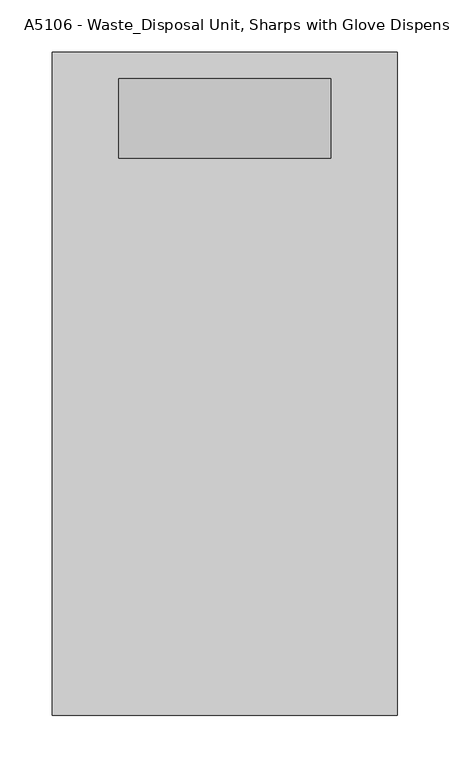
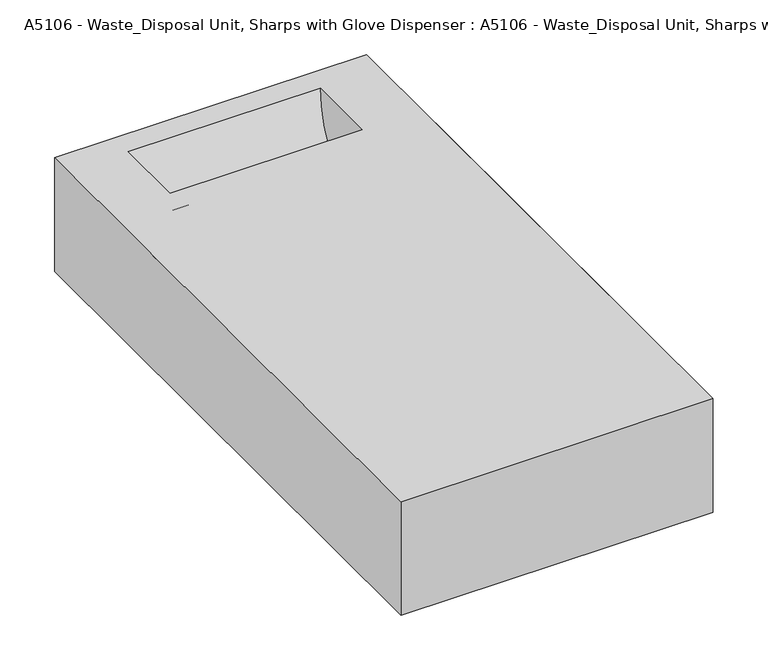
"""IFC4 building model written with IfcOpenShell, lengths in millimetres: proxy geometry, A5106 - Waste_Disposal Unit, Sharps with Glove Dispenser : A5106 - Waste_Disposal Unit, Sharps with Glove Dispenser."""

from ifc_helpers import new_model, si_unit, frame, origin, origin_with_axes, place, context, project, spatial, polyline, circle_curve, outline, extrude, source, transform, mapped, element, save
from ifc_brep_helpers import plane_surface, cylinder_surface, revolved_surface, advanced_brep


def a5106_waste_disposal_unit_sharps_with_glove_dispenser_a5106_42bc5ef0(model_context):
    return source(origin(), model_context, "Body", "SolidModel", [
        advanced_brep(
        [(101.6, 533.4, 127.0), (101.6, 457.2, 25.4), (101.6, 457.2, 127.0), (-101.6, 457.2, 127.0), (-101.6, 457.2, 25.4), (-101.6, 533.4, 127.0), (165.1, 558.8, 127.0), (-165.1, 558.8, 127.0), (-165.1, -76.2, 127.0), (165.1, -76.2, 127.0), (165.1, 558.8, 0.0), (165.1, -76.2, 0.0), (-165.1, -76.2, 0.0), (-165.1, 558.8, 0.0)],
        [
            (0, 1, circle_curve(frame((101.6, 428.5291538, 126.2781346), z_axis=(-1.0, 0.0, 0.0), x_axis=(0.0, 1.0, 0.0)), 104.8733306)),
            (1, 2),
            (2, 0),
            (3, 4),
            (4, 5, circle_curve(frame((-101.6, 428.5291538, 126.2781346), z_axis=(1.0, 0.0, 0.0), x_axis=(0.0, 1.0, 0.0)), 104.8733306)),
            (5, 3),
            (1, 4),
            (3, 2),
            (0, 5),
            (6, 7),
            (7, 8),
            (8, 9),
            (9, 6),
            (10, 11),
            (11, 12),
            (12, 13),
            (13, 10),
            (6, 10),
            (13, 7),
            (12, 8),
            (11, 9),
        ],
        [
            plane_surface(frame((101.6, 457.2, 127.0), z_axis=(-1.0, 0.0, 0.0), x_axis=(0.0, 0.0, -1.0))),
            plane_surface(frame((-101.6, 457.2, 127.0), z_axis=(1.0, 0.0, 0.0), x_axis=(0.0, 0.0, 1.0))),
            plane_surface(frame((101.6, 457.2, 127.0), z_axis=(0.0, 1.0, 0.0), x_axis=(-1.0, 0.0, 0.0))),
            revolved_surface(polyline([(101.6, 533.4024844, 126.2781346), (-101.6, 533.4024844, 126.2781346)]), (-101.6, 428.5291538, 126.2781346), (1.0, 0.0, 0.0)),
            plane_surface(frame((-165.1, 558.8, 127.0), z_axis=(0.0, 0.0, 1.0), x_axis=(-1.0, 0.0, 0.0))),
            plane_surface(frame((-165.1, 558.8, 0.0), z_axis=(0.0, 0.0, -1.0), x_axis=(1.0, 0.0, 0.0))),
            plane_surface(frame((165.1, 558.8, 127.0), z_axis=(0.0, 1.0, 0.0), x_axis=(0.0, 0.0, -1.0))),
            plane_surface(frame((-165.1, 558.8, 127.0), z_axis=(-1.0, 0.0, 0.0), x_axis=(0.0, 0.0, -1.0))),
            plane_surface(frame((-165.1, -76.2, 127.0), z_axis=(0.0, -1.0, 0.0), x_axis=(0.0, 0.0, -1.0))),
            plane_surface(frame((165.1, -76.2, 127.0), z_axis=(1.0, 0.0, 0.0), x_axis=(0.0, 0.0, -1.0))),
        ],
        [
            (0, [[1, 2, 3]]),
            (1, [[4, 5, 6]]),
            (2, [[-2, 7, -4, 8]]),
            (3, [[-1, 9, -5, -7]]),
            (4, [[10, 11, 12, 13], [-3, -8, -6, -9]]),
            (5, [[14, 15, 16, 17]]),
            (6, [[-10, 18, -17, 19]]),
            (7, [[-11, -19, -16, 20]]),
            (8, [[-12, -20, -15, 21]]),
            (9, [[-13, -21, -14, -18]]),
        ],
    ),
        advanced_brep(
        [(127.0, 431.8, 0.0), (127.0, 558.8, 127.0), (127.0, 431.8, 127.0), (-127.0, 431.8, 0.0), (-127.0, 431.8, 127.0), (-127.0, 558.8, 127.0), (101.6, 533.4, 127.0), (101.6, 457.2, 127.0), (-101.6, 457.2, 127.0), (-101.6, 533.4, 127.0), (101.6, 457.2, 25.4), (-101.6, 457.2, 25.4)],
        [
            (0, 1, circle_curve(frame((127.0, 431.8, 127.0), z_axis=(1.0, 0.0, 0.0), x_axis=(0.0, 0.0, -1.0)), 127.0)),
            (1, 2),
            (2, 0),
            (3, 4),
            (4, 5),
            (5, 3, circle_curve(frame((-127.0, 431.8, 127.0), z_axis=(-1.0, 0.0, 0.0), x_axis=(0.0, 0.0, -1.0)), 127.0)),
            (0, 3),
            (5, 1),
            (4, 2),
            (6, 7),
            (7, 8),
            (8, 9),
            (9, 6),
            (6, 10, circle_curve(frame((101.6, 428.5291538, 126.2781346), z_axis=(-1.0, 0.0, 0.0), x_axis=(0.0, 1.0, 0.0)), 104.8733306)),
            (10, 7),
            (8, 11),
            (11, 9, circle_curve(frame((-101.6, 428.5291538, 126.2781346), z_axis=(1.0, 0.0, 0.0), x_axis=(0.0, 1.0, 0.0)), 104.8733306)),
            (10, 11),
        ],
        [
            plane_surface(frame((127.0, 431.8, 0.0), z_axis=(1.0, 0.0, 0.0), x_axis=(0.0, 1.0, 0.0))),
            plane_surface(frame((-127.0, 431.8, 0.0), z_axis=(-1.0, 0.0, 0.0), x_axis=(0.0, -1.0, 0.0))),
            cylinder_surface(frame((-127.0, 431.8, 127.0), z_axis=(1.0, 0.0, 0.0), x_axis=(0.0, 0.0, -1.0)), 127.0),
            plane_surface(frame((127.0, 558.8, 127.0), z_axis=(0.0, 0.0, 1.0), x_axis=(-1.0, 0.0, 0.0))),
            plane_surface(frame((127.0, 431.8, 127.0), z_axis=(0.0, -1.0, 0.0), x_axis=(-1.0, 0.0, 0.0))),
            plane_surface(frame((101.6, 457.2, 127.0), z_axis=(-1.0, 0.0, 0.0), x_axis=(0.0, 0.0, -1.0))),
            plane_surface(frame((-101.6, 457.2, 127.0), z_axis=(1.0, 0.0, 0.0), x_axis=(0.0, 0.0, 1.0))),
            plane_surface(frame((101.6, 457.2, 127.0), z_axis=(0.0, 1.0, 0.0), x_axis=(-1.0, 0.0, 0.0))),
            revolved_surface(polyline([(101.6, 533.4024844, 126.2781346), (-101.6, 533.4024844, 126.2781346)]), (-101.6, 428.5291538, 126.2781346), (1.0, 0.0, 0.0)),
        ],
        [
            (0, [[1, 2, 3]]),
            (1, [[4, 5, 6]]),
            (2, [[-1, 7, -6, 8]]),
            (3, [[-2, -8, -5, 9], [10, 11, 12, 13]]),
            (4, [[-3, -9, -4, -7]]),
            (5, [[14, 15, -10]]),
            (6, [[16, 17, -12]]),
            (7, [[-15, 18, -16, -11]]),
            (8, [[-14, -13, -17, -18]]),
        ],
    ),
        extrude(outline(polyline([(127.0, 76.2), (127.0, -76.2), (-127.0, -76.2), (-127.0, 76.2), (127.0, 76.2)])), origin_with_axes(), (0.0, 0.0, 1.0), 101.6),
        extrude(outline(polyline([(165.1, 431.8), (165.1, 76.2), (-165.1, 76.2), (-165.1, 431.8), (165.1, 431.8)])), origin_with_axes(), (0.0, 0.0, 1.0), 127.0),
    ])


if __name__ == "__main__":
    model = new_model("IFC4")
    model_context = context("Model", 3, world=origin())
    ifc_project = project(units=[si_unit("LENGTHUNIT", "METRE", prefix="MILLI")], contexts=[model_context])
    site = spatial("IfcSite", under=ifc_project)
    building = spatial("IfcBuilding", under=site)
    placement = place(None, origin())
    a5106_waste_disposal_unit_sharps_with_glove_dispenser_a5106_shape = a5106_waste_disposal_unit_sharps_with_glove_dispenser_a5106_42bc5ef0(model_context)
    element("IfcBuildingElementProxy", 1, Name="A5106 - Waste_Disposal Unit, Sharps with Glove Dispenser : A5106 - Waste_Disposal Unit, Sharps with Glove Dispenser", ObjectType="A5106 - Waste_Disposal Unit, Sharps with Glove Dispenser : A5106 - Waste_Disposal Unit, Sharps with Glove Dispenser", at=placement, inside=building, context=model_context, shape_type="MappedRepresentation", body=[
        mapped(a5106_waste_disposal_unit_sharps_with_glove_dispenser_a5106_shape, transform((0.0, 0.0, 0.0), x_axis=(1.0, 0.0, 0.0), y_axis=(0.0, 1.0, 0.0), z_axis=(0.0, 0.0, 1.0))),
    ])
    save(model, "model.ifc")
